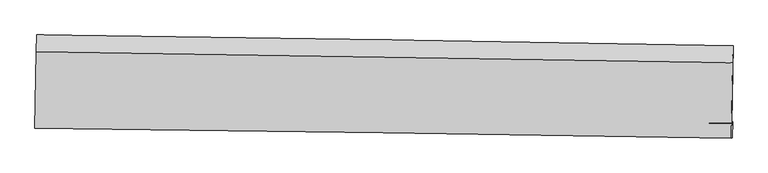
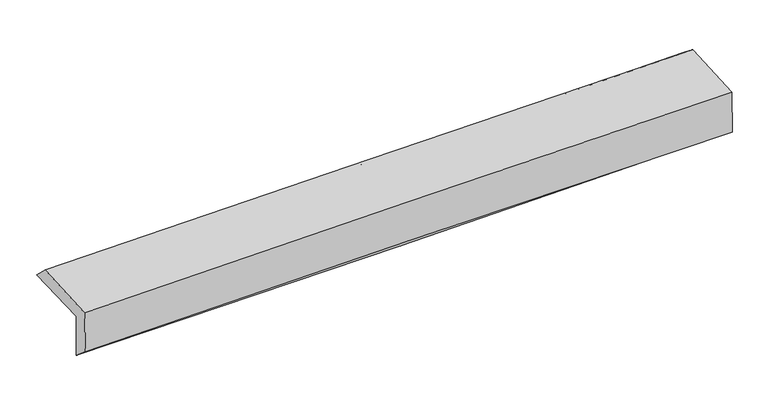
"""IFC4 building model written with IfcOpenShell, lengths in millimetres: proxy geometry."""

from ifc_helpers import new_model, si_unit, frame, origin, place, context, project, spatial, source, transform, mapped, element, save
from ifc_brep_helpers import plane_surface, spline_curve, spline_surface, advanced_brep


def generic_models_358facb2(model_context):
    return source(origin(), model_context, "Body", "AdvancedBrep", [
        advanced_brep(
        [(-3027.5004649, -1757.6472476, 1957.8718226), (-3017.0268278, -1093.6962631, 1966.3742156), (3015.1552423, -1188.3050273, 2127.5435675), (3004.6104718, -1856.7653481, 2118.9834291), (-3018.6372557, -1744.1446973, 1559.3664551), (3013.7044576, -1844.0567178, 1709.2544547), (-3023.94476, -1898.9915678, 1689.4206764), (3009.1691859, -1982.433721, 1815.902498), (-3032.5636713, -1903.281914, 2083.4822317), (3000.3305068, -1986.8334637, 2220.0119576), (-3022.4217215, -1240.8427256, 2106.1532153), (3010.3165026, -1334.5806902, 2242.3343265)],
        [
            (0, 1),
            (1, 2, spline_curve(3, [(-3017.0268278, -1093.6962631, 1966.3742156), (-2011.432773331, -1105.885591807, 1985.614479139), (-1005.957685974, -1119.864247156, 2008.665260595), (1004.769674306, -1151.400447794, 2062.388263199), (2010.021943698, -1168.958047425, 2093.060598972), (3015.1552423, -1188.3050273, 2127.5435675)], [4, 2, 4], [0.0, 9.90009507297088, 19.8003390431307])),
            (2, 3),
            (3, 0, spline_curve(3, [(3004.6104718, -1856.7653481, 2118.9834291), (1999.512740154, -1835.163694254, 2084.529333643), (994.284181664, -1816.102982814, 2053.876246172), (-1016.41946771, -1783.063692239, 2000.172491477), (-2021.894555067, -1769.08503699, 1977.121710021), (-3027.5004649, -1757.6472476, 1957.8718226)], [4, 2, 4], [0.0, 9.900243970159819, 19.8003390431307])),
            (4, 0),
            (3, 5),
            (5, 4, spline_curve(3, [(3013.7044576, -1844.0567178, 1709.2544547), (2008.519767079, -1826.022411697, 1676.168907264), (1003.228498187, -1808.679199251, 1647.135403481), (-1007.552076255, -1775.375213193, 1597.172858634), (-2013.041378285, -1759.414418833, 1576.243696166), (-3018.6372557, -1744.1446973, 1559.3664551)], [4, 2, 4], [0.0, 9.900196272915858, 19.800243649360134])),
            (6, 4),
            (5, 7),
            (7, 6, spline_curve(3, [(3009.1691859, -1982.433721, 1815.902498), (2003.621720939, -1965.338656799, 1798.841915614), (998.084712331, -1949.837571493, 1779.771378097), (-1012.953269063, -1922.023568667, 1737.610710749), (-2018.454242592, -1909.71060255, 1714.520640844), (-3023.94476, -1898.9915678, 1689.4206764)], [4, 2, 4], [0.0, 9.900033224743842, 19.799917555468305])),
            (8, 6),
            (7, 9),
            (9, 8, spline_curve(3, [(3000.3305068, -1986.8334637, 2220.0119576), (1994.892151166, -1969.684086636, 2197.962832155), (989.428011376, -1954.146729018, 2175.560704141), (-1021.536715659, -1926.296260616, 2130.05078469), (-2027.037301664, -1913.983102006, 2106.943004198), (-3032.5636713, -1903.281914, 2083.4822317)], [4, 2, 4], [0.0, 9.900052252277561, 19.799955610249572])),
            (10, 8),
            (9, 11),
            (11, 10, spline_curve(3, [(3010.3165026, -1334.5806902, 2242.3343265), (2004.854128414, -1319.000129268, 2220.231510574), (999.39097569, -1303.398292902, 2197.831589311), (-1011.521765964, -1272.152304066, 2152.437876646), (-2016.971354385, -1256.508152204, 2129.444094192), (-3022.4217215, -1240.8427256, 2106.1532153)], [4, 2, 4], [0.0, 9.900025582564616, 19.799902271224788])),
            (1, 10),
            (11, 2),
        ],
        [
            spline_surface(3, 3, [[(-3027.5004649, -1757.6472476, 1957.8718226), (-2021.894554976, -1769.08503711, 1977.121710148), (-1016.419467768, -1783.063692312, 2000.172491583), (994.284181721, -1816.102982742, 2053.876246065), (1999.512740105, -1835.163694321, 2084.529333503), (3004.6104718, -1856.7653481, 2118.9834291)], [(-3024.009252543, -1536.330252788, 1960.705953573), (-2018.407294391, -1548.018555337, 1979.952633113), (-1012.932207183, -1561.997210538, 2003.003414548), (997.779345909, -1594.535471123, 2056.713585095), (2003.015808015, -1613.095145322, 2087.373088694), (3008.125395321, -1633.945241146, 2121.836808558)], [(-3020.518040157, -1315.013257912, 1963.540084627), (-2014.920033775, -1326.952073499, 1982.783556158), (-1009.444946568, -1340.930728801, 2005.834337593), (1001.274510127, -1372.967959541, 2059.550924205), (2006.51887586, -1391.026596384, 2090.216843913), (3011.640318779, -1411.125134254, 2124.690188042)], [(-3017.0268278, -1093.6962631, 1966.3742156), (-2011.43277319, -1105.885591726, 1985.614479123), (-1005.957685983, -1119.864247028, 2008.665260558), (1004.769674314, -1151.400447922, 2062.388263235), (2010.021943769, -1168.958047385, 2093.060599104), (3015.1552423, -1188.3050273, 2127.5435675)]], [4, 4], [4, 2, 4], [0.0, 2.178766523439643], [0.0, 9.90009507297088, 19.8003390431307]),
            spline_surface(3, 3, [[(-3018.6372557, -1744.1446973, 1559.3664551), (-2013.041378269, -1759.414418676, 1576.243696014), (-1007.552076184, -1775.3752132, 1597.172858735), (1003.228498116, -1808.679199244, 1647.13540338), (2008.519767143, -1826.022411558, 1676.168907204), (3013.7044576, -1844.0567178, 1709.2544547)], [(-3021.591658777, -1748.645547393, 1692.201577621), (-2015.992437181, -1762.637958147, 1709.869700746), (-1010.507873367, -1777.938039559, 1731.506069715), (1000.24705933, -1811.153793731, 1782.715684306), (2005.517424781, -1829.069505834, 1812.289049311), (3010.673128984, -1848.292927922, 1845.830779507)], [(-3024.546061823, -1753.146397507, 1825.036700079), (-2018.943496063, -1765.861497639, 1843.495705415), (-1013.463670585, -1780.500865953, 1865.839280603), (997.265620507, -1813.628388254, 1918.295965139), (2002.515082468, -1832.116600044, 1948.409191396), (3007.641800416, -1852.529137978, 1982.407104293)], [(-3027.5004649, -1757.6472476, 1957.8718226), (-2021.894554976, -1769.08503711, 1977.121710148), (-1016.419467768, -1783.063692312, 2000.172491583), (994.284181721, -1816.102982742, 2053.876246065), (1999.512740105, -1835.163694321, 2084.529333503), (3004.6104718, -1856.7653481, 2118.9834291)]], [4, 4], [4, 2, 4], [0.0, 1.3288670981288024], [0.0, 9.900047376444276, 19.800243649360134]),
            spline_surface(3, 3, [[(-3023.94476, -1898.9915678, 1689.4206764), (-2018.454242624, -1909.710602611, 1714.520640755), (-1012.953269187, -1922.023568524, 1737.61071059), (998.084712455, -1949.837571636, 1779.771378255), (2003.621721005, -1965.338656807, 1798.841915605), (3009.1691859, -1982.433721, 1815.902498)], [(-3022.175591902, -1847.375944288, 1646.069269307), (-2016.649954507, -1859.611874621, 1668.428325848), (-1011.152871512, -1873.140783432, 1690.798093302), (999.799307683, -1902.784780855, 1735.559386627), (2005.254403054, -1918.899908385, 1757.950912799), (3010.680943136, -1936.308053261, 1780.353150227)], [(-3020.406423798, -1795.760320812, 1602.717862193), (-2014.845666386, -1809.513146666, 1622.33601092), (-1009.35247386, -1824.257998292, 1643.985476023), (1001.513902887, -1855.731990025, 1691.347395008), (2006.887085094, -1872.461159979, 1717.059910011), (3012.192700364, -1890.182385539, 1744.803802473)], [(-3018.6372557, -1744.1446973, 1559.3664551), (-2013.041378269, -1759.414418676, 1576.243696014), (-1007.552076184, -1775.3752132, 1597.172858735), (1003.228498116, -1808.679199244, 1647.13540338), (2008.519767143, -1826.022411558, 1676.168907204), (3013.7044576, -1844.0567178, 1709.2544547)]], [4, 4], [4, 2, 4], [0.0, 0.6510485828958549], [0.0, 9.899884330724463, 19.799917555468305]),
            spline_surface(3, 3, [[(-3032.5636713, -1903.281914, 2083.4822317), (-2027.037301534, -1913.983102106, 2106.943004274), (-1021.53671556, -1926.296260768, 2130.050784788), (989.428011276, -1954.146728865, 2175.560704044), (1994.892151281, -1969.684086732, 2197.962832154), (3000.3305068, -1986.8334637, 2220.0119576)], [(-3029.690700845, -1901.851798616, 1952.128379926), (-2024.176281876, -1912.558935624, 1976.13554976), (-1018.675566778, -1924.872030011, 1999.237426704), (992.313578326, -1952.710343113, 2043.630928763), (1997.80200784, -1968.235610079, 2064.922526634), (3003.276733151, -1985.366882789, 2085.308804396)], [(-3026.817730455, -1900.421683184, 1820.774528174), (-2021.315262283, -1911.134769093, 1845.328095268), (-1015.814417968, -1923.447799281, 1868.424068674), (995.199145405, -1951.273957388, 1911.701153536), (2000.711864446, -1966.78713346, 1931.882221126), (3006.222959549, -1983.900301911, 1950.605651204)], [(-3023.94476, -1898.9915678, 1689.4206764), (-2018.454242624, -1909.710602611, 1714.520640755), (-1012.953269187, -1922.023568524, 1737.61071059), (998.084712455, -1949.837571636, 1779.771378255), (2003.621721005, -1965.338656807, 1798.841915605), (3009.1691859, -1982.433721, 1815.902498)]], [4, 4], [4, 2, 4], [0.0, 1.293413174256865], [0.0, 9.899903357972011, 19.799955610249572]),
            spline_surface(3, 3, [[(-3022.4217215, -1240.8427256, 2106.1532153), (-2016.97135427, -1256.508152234, 2129.444094286), (-1011.521765829, -1272.152304075, 2152.437876643), (999.390975555, -1303.398292892, 2197.831589315), (2004.854128493, -1319.000129297, 2220.231510687), (3010.3165026, -1334.5806902, 2242.3343265)], [(-3025.802371445, -1461.655788377, 2098.596220751), (-2020.326670036, -1475.666468835, 2121.943730933), (-1014.860082418, -1490.200289656, 2144.975512697), (996.06998745, -1520.314438233, 2190.407960897), (2001.533469444, -1535.894781794, 2212.808617829), (3006.987837355, -1551.998281385, 2234.893536853)], [(-3029.183021355, -1682.468851223, 2091.039226249), (-2023.681985768, -1694.824785505, 2114.443367627), (-1018.198398971, -1708.248275187, 2137.513148734), (992.748999381, -1737.230583525, 2182.984332462), (1998.21281033, -1752.789434235, 2205.385725012), (3003.659172045, -1769.415872515, 2227.452747247)], [(-3032.5636713, -1903.281914, 2083.4822317), (-2027.037301534, -1913.983102106, 2106.943004274), (-1021.53671556, -1926.296260768, 2130.050784788), (989.428011276, -1954.146728865, 2175.560704044), (1994.892151281, -1969.684086732, 2197.962832154), (3000.3305068, -1986.8334637, 2220.0119576)]], [4, 4], [4, 2, 4], [0.0, 2.1420753389665568], [0.0, 9.899876688660171, 19.799902271224788]),
            spline_surface(3, 3, [[(-3017.0268278, -1093.6962631, 1966.3742156), (-2011.43277319, -1105.885591726, 1985.614479123), (-1005.957685983, -1119.864247028, 2008.665260558), (1004.769674314, -1151.400447922, 2062.388263235), (2010.021943769, -1168.958047385, 2093.060599104), (3015.1552423, -1188.3050273, 2127.5435675)], [(-3018.825125689, -1142.745083937, 2012.967215522), (-2013.278966872, -1156.093111899, 2033.557684199), (-1007.812379253, -1170.626932711, 2056.589465931), (1002.976774739, -1202.066396246, 2107.536038606), (2008.299338664, -1218.972074685, 2135.450902991), (3013.542329053, -1237.063581596, 2165.807153859)], [(-3020.623423611, -1191.793904763, 2059.560215378), (-2015.125160588, -1206.300632061, 2081.50088921), (-1009.667072559, -1221.389618392, 2104.51367127), (1001.18387513, -1252.732344569, 2152.683813944), (2006.576733599, -1268.986101997, 2177.8412068), (3011.929415847, -1285.822135904, 2204.070740141)], [(-3022.4217215, -1240.8427256, 2106.1532153), (-2016.97135427, -1256.508152234, 2129.444094286), (-1011.521765829, -1272.152304075, 2152.437876643), (999.390975555, -1303.398292892, 2197.831589315), (2004.854128493, -1319.000129297, 2220.231510687), (3010.3165026, -1334.5806902, 2242.3343265)]], [4, 4], [4, 2, 4], [0.0, 0.6776962248294496], [0.0, 9.89992619844716, 19.80000129154339]),
            plane_surface(frame((3008.8810612, -1698.8291613, 2039.0050389), z_axis=(0.9996359717926014, -0.016046719947239014, 0.021689321732051323), x_axis=(0.02186546744395166, 0.010884254414470235, -0.9997016726700514))),
            plane_surface(frame((-3023.6824502, -1606.4340692, 1893.7781028), z_axis=(-0.9996359717925943, 0.016046719947677365, -0.021689321732056812), x_axis=(-0.015771459150397953, -0.9997936494165414, -0.012803111442985939))),
        ],
        [
            (0, [[1, 2, 3, 4]]),
            (1, [[5, -4, 6, 7]]),
            (2, [[8, -7, 9, 10]]),
            (3, [[11, -10, 12, 13]]),
            (4, [[14, -13, 15, 16]]),
            (5, [[17, -16, 18, -2]]),
            (6, [[-12, -9, -6, -3, -18, -15]]),
            (7, [[-1, -5, -8, -11, -14, -17]]),
        ],
    ),
    ])


if __name__ == "__main__":
    model = new_model("IFC4")
    model_context = context("Model", 3, world=origin())
    ifc_project = project(units=[si_unit("LENGTHUNIT", "METRE", prefix="MILLI")], contexts=[model_context])
    site = spatial("IfcSite", under=ifc_project)
    building = spatial("IfcBuilding", under=site)
    placement = place(None, origin())
    generic_models_shape = generic_models_358facb2(model_context)
    element("IfcBuildingElementProxy", 1, Name="Generic Models", at=placement, inside=building, context=model_context, shape_type="MappedRepresentation", body=[
        mapped(generic_models_shape, transform((0.0, 0.0, 0.0), x_axis=(1.0, 0.0, 0.0), y_axis=(0.0, 1.0, 0.0), z_axis=(0.0, 0.0, 1.0))),
    ])
    save(model, "model.ifc")
